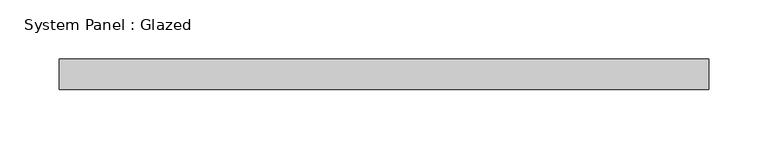
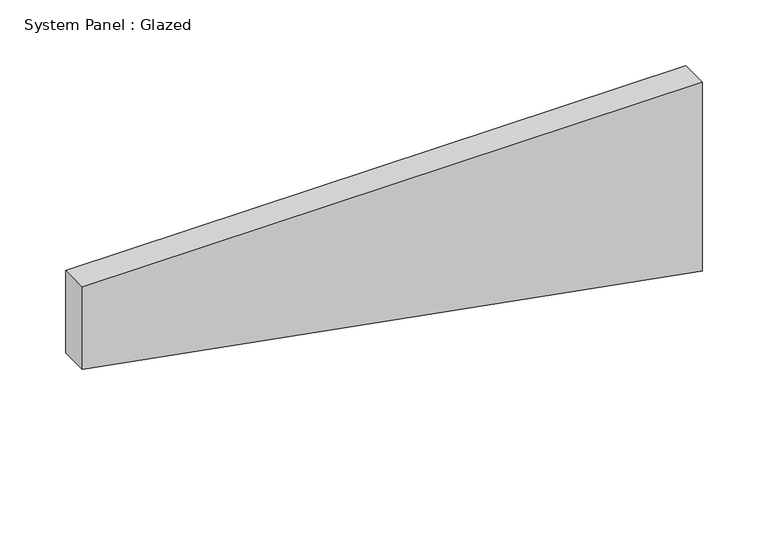
"""IFC4 building model written with IfcOpenShell, lengths in millimetres: plate geometry, System Panel : Glazed."""

from ifc_helpers import new_model, si_unit, frame, origin, place, context, project, spatial, polyline, outline, extrude, source, transform, mapped, element, save


def system_panel_glazed_8e6f1b09(model_context):
    return source(origin(), model_context, "Body", "SweptSolid", [
        extrude(outline(polyline([(99.7418777, -273.05), (0.0, 273.05), (176.2650826, 273.05), (176.2650826, -273.05), (99.7418777, -273.05)])), frame((0.0, 19.05, 0.0), z_axis=(0.0, 1.0, 0.0), x_axis=(0.0, 0.0, 1.0)), (0.0, 0.0, 1.0), 25.4),
    ])


if __name__ == "__main__":
    model = new_model("IFC4")
    model_context = context("Model", 3, world=origin())
    ifc_project = project(units=[si_unit("LENGTHUNIT", "METRE", prefix="MILLI")], contexts=[model_context])
    site = spatial("IfcSite", under=ifc_project)
    building = spatial("IfcBuilding", under=site)
    placement = place(None, origin())
    system_panel_glazed_shape = system_panel_glazed_8e6f1b09(model_context)
    element("IfcPlate", 1, ObjectType="System Panel : Glazed", at=placement, inside=building, context=model_context, shape_type="MappedRepresentation", body=[
        mapped(system_panel_glazed_shape, transform((0.0, 0.0, 0.0), x_axis=(1.0, 0.0, 0.0), y_axis=(0.0, 1.0, 0.0), z_axis=(0.0, 0.0, 1.0))),
    ])
    save(model, "model.ifc")
